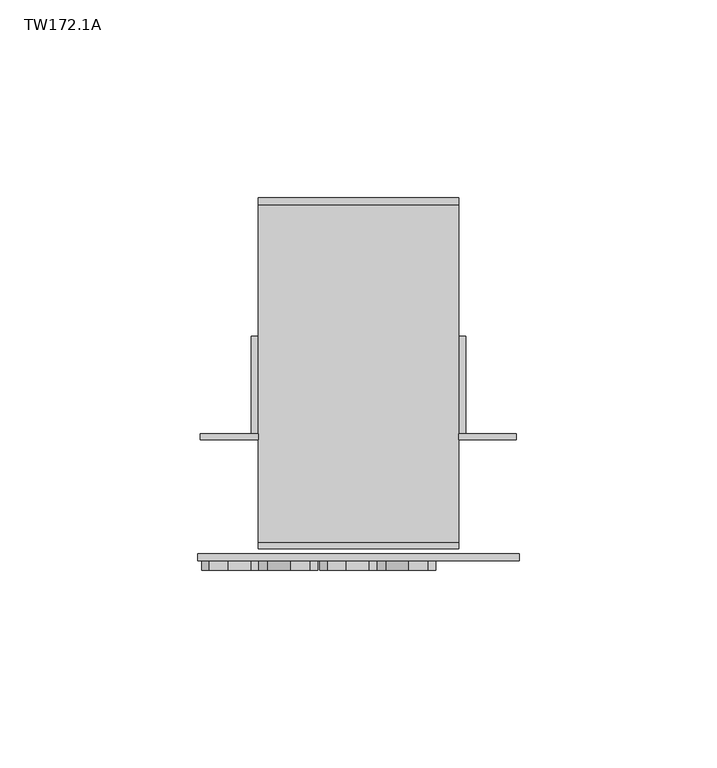
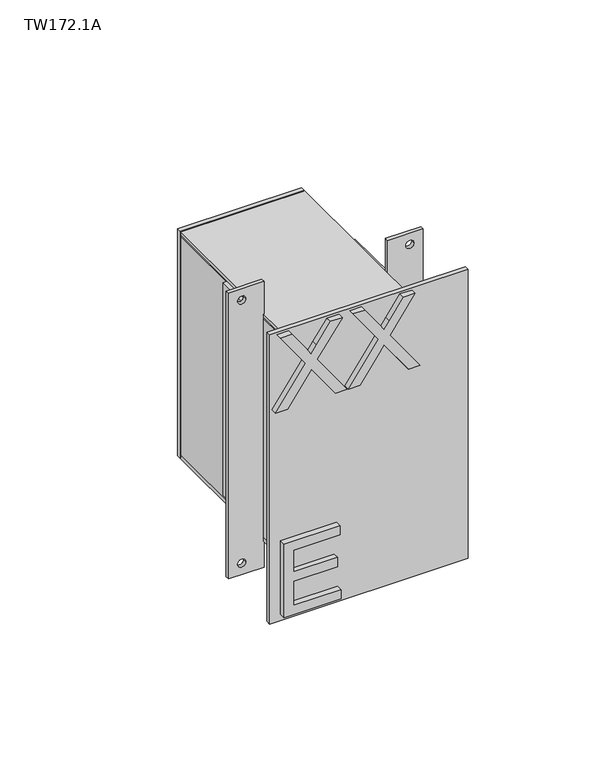
"""IFC4 building model written with IfcOpenShell, lengths in millimetres: furniture geometry, TW172.1A."""

import ifcopenshell
import ifcopenshell.guid

model = None  # the IFC model being written
_history = None  # IfcOwnerHistory: only IFC2X3 demands one
_inside = {}  # id of a spatial element -> (the spatial element, [elements in it])
_under = {}  # id of a project, library or spatial element -> (it, [spatial elements below it])
_declared = {}  # id of a project -> (the project, [libraries it declares])
_typed = {}  # id of a type object -> (the type object, [elements of that type])
_made_of = {}  # id of a material, layer set ... -> (it, [elements and type objects made of it])


def new_model(schema):
    """Start an empty IFC model of exactly this schema.

    Asked for "IFC4X3", IfcOpenShell would pick the latest addendum, in which some entities
    have other attributes; the version numbers below select the first issue.
    IFC2X3 requires an IfcOwnerHistory on every rooted entity: one is made here for all.
    """
    global model, _history
    if schema == "IFC4X3":
        model = ifcopenshell.file(schema_version=(4, 3, 0, 0))
    else:
        model = ifcopenshell.file(schema=schema)
    _inside.clear()
    _under.clear()
    _declared.clear()
    _typed.clear()
    _made_of.clear()
    _history = None
    if model.schema == "IFC2X3":
        org = make("IfcOrganization", Name="unknown")
        user = make(
            "IfcPersonAndOrganization",
            ThePerson=make("IfcPerson", FamilyName="unknown"),
            TheOrganization=org,
        )
        app = make(
            "IfcApplication",
            ApplicationDeveloper=org,
            Version="unknown",
            ApplicationFullName="unknown",
            ApplicationIdentifier="unknown",
        )
        _history = make(
            "IfcOwnerHistory",
            OwningUser=user,
            OwningApplication=app,
            ChangeAction="ADDED",
            CreationDate=0,
        )
    return model


def make(cls, **values):
    """One entity of the class cls with the attributes given. An attribute that is None is left unset."""
    return model.create_entity(
        cls, **{name: value for name, value in values.items() if value is not None}
    )


def rooted(cls, **values):
    """An entity with a GlobalId (a new one), such as an element, a storey or a relation."""
    return make(cls, GlobalId=ifcopenshell.guid.new(), OwnerHistory=_history, **values)


def si_unit(unit_type, name, prefix=None):
    """IfcSIUnit, for example si_unit("LENGTHUNIT", "METRE", prefix="MILLI")."""
    return make("IfcSIUnit", UnitType=unit_type, Prefix=prefix, Name=name)


def assignment(units):
    """IfcUnitAssignment: the units of a project."""
    return None if units is None else make("IfcUnitAssignment", Units=units)


def point(xyz):
    """IfcCartesianPoint."""
    return None if xyz is None else make("IfcCartesianPoint", Coordinates=xyz)


def direction(xyz):
    """IfcDirection."""
    return None if xyz is None else make("IfcDirection", DirectionRatios=xyz)


def frame(location, z_axis=None, x_axis=None):
    """IfcAxis2Placement3D, a coordinate frame: its origin and axes. An axis left out is left unset."""
    return make(
        "IfcAxis2Placement3D",
        Location=point(location),
        Axis=direction(z_axis),
        RefDirection=direction(x_axis),
    )


def frame_2d(location, x_axis=None):
    """IfcAxis2Placement2D, a coordinate frame in the plane: its origin and x axis."""
    return make(
        "IfcAxis2Placement2D", Location=point(location), RefDirection=direction(x_axis)
    )


def origin():
    """The frame at (0, 0, 0) with its axes left unset."""
    return frame((0.0, 0.0, 0.0))


def place(relative_to, where):
    """IfcLocalPlacement: puts the frame where relative to a parent placement (None: the world)."""
    return make(
        "IfcLocalPlacement", PlacementRelTo=relative_to, RelativePlacement=where
    )


def context(
    kind, dimensions, precision=None, world=None, true_north=None, identifier=None
):
    """IfcGeometricRepresentationContext, for example the 3D "Model" context."""
    return make(
        "IfcGeometricRepresentationContext",
        ContextIdentifier=identifier,
        ContextType=kind,
        CoordinateSpaceDimension=dimensions,
        Precision=precision,
        WorldCoordinateSystem=world,
        TrueNorth=true_north,
    )


def project(units=None, contexts=None):
    """IfcProject with its units and contexts."""
    return rooted(
        "IfcProject",
        Name="project",
        RepresentationContexts=contexts,
        UnitsInContext=assignment(units),
    )


def spatial(cls, under=None, at=None, **own):
    """A site, building, storey or space (cls), placed at a placement, below another one or the project."""
    s = rooted(cls, ObjectPlacement=at, **own)
    if under is not None:
        _under.setdefault(under.id(), (under, []))[1].append(s)
    return s


def polyline(points):
    """IfcPolyline through the points."""
    return make("IfcPolyline", Points=[point(p) for p in points])


def circle_curve(where, radius):
    """IfcCircle in the frame where."""
    return make("IfcCircle", Position=where, Radius=radius)


def trimmed(basis, trim1, trim2, sense, master):
    """IfcTrimmedCurve: the piece of a basis curve between two trims."""
    return make(
        "IfcTrimmedCurve",
        BasisCurve=basis,
        Trim1=trim1,
        Trim2=trim2,
        SenseAgreement=sense,
        MasterRepresentation=master,
    )


def segment(curve, same_sense, transition):
    """IfcCompositeCurveSegment."""
    return make(
        "IfcCompositeCurveSegment",
        Transition=transition,
        SameSense=same_sense,
        ParentCurve=curve,
    )


def composite_curve(segments, self_intersect=None):
    """IfcCompositeCurve: segments joined end to end."""
    return make("IfcCompositeCurve", Segments=segments, SelfIntersect=self_intersect)


def outline(outer, holes=None, kind="AREA"):
    """IfcArbitraryClosedProfileDef: a profile drawn as a closed curve; with holes, ...WithVoids."""
    if holes is None:
        return make("IfcArbitraryClosedProfileDef", ProfileType=kind, OuterCurve=outer)
    return make(
        "IfcArbitraryProfileDefWithVoids",
        ProfileType=kind,
        OuterCurve=outer,
        InnerCurves=holes,
    )


def extrude(swept, where, along, depth):
    """IfcExtrudedAreaSolid: the profile swept, set in the frame where, extruded along a direction by depth."""
    return make(
        "IfcExtrudedAreaSolid",
        SweptArea=swept,
        Position=where,
        ExtrudedDirection=direction(along),
        Depth=depth,
    )


def shape(context_of_items, identifier, shape_type, items):
    """IfcShapeRepresentation: the items that make up one representation, for example the "Body"."""
    return make(
        "IfcShapeRepresentation",
        ContextOfItems=context_of_items,
        RepresentationIdentifier=identifier,
        RepresentationType=shape_type,
        Items=items,
    )


def source(mapping_origin, context_of_items, identifier, shape_type, items):
    """IfcRepresentationMap: a shape defined once, which mapped items show again and again."""
    return make(
        "IfcRepresentationMap",
        MappingOrigin=mapping_origin,
        MappedRepresentation=shape(context_of_items, identifier, shape_type, items),
    )


def transform(
    local_origin,
    x_axis=None,
    y_axis=None,
    z_axis=None,
    scale=None,
    scale2=None,
    scale3=None,
    uniform=True,
):
    """IfcCartesianTransformationOperator3D, or its non-uniform kind. x_axis, y_axis, z_axis: its Axis1, 2, 3."""
    if uniform:
        return make(
            "IfcCartesianTransformationOperator3D",
            Axis1=direction(x_axis),
            Axis2=direction(y_axis),
            LocalOrigin=point(local_origin),
            Scale=scale,
            Axis3=direction(z_axis),
        )
    return make(
        "IfcCartesianTransformationOperator3DnonUniform",
        Axis1=direction(x_axis),
        Axis2=direction(y_axis),
        LocalOrigin=point(local_origin),
        Scale=scale,
        Axis3=direction(z_axis),
        Scale2=scale2,
        Scale3=scale3,
    )


def mapped(mapping_source, mapping_target):
    """IfcMappedItem: shows the shape of a source again, moved by a transform."""
    return make(
        "IfcMappedItem", MappingSource=mapping_source, MappingTarget=mapping_target
    )


def made_of(thing, what):
    """Note that an element or type object is made of a material, layer set ...; save() writes the relation."""
    if what is not None:
        _made_of.setdefault(what.id(), (what, []))[1].append(thing)
    return thing


def element(
    cls,
    number,
    at=None,
    inside=None,
    cuts=None,
    type_object=None,
    material=None,
    context=None,
    identifier="Body",
    shape_type=None,
    held_by="IfcProductDefinitionShape",
    body=None,
    shapes=None,
    **own,
):
    """One element of the class cls, such as IfcWall. Its Tag is "e" and its number.

    at: its placement. inside: the storey or other place that contains it. cuts: it is an
    opening in that element (IfcRelVoidsElement). A single representation is given by context,
    identifier, shape_type and body (its items); several are given by shapes. held_by: the class
    of the entity that holds the representations. save() writes the other relations.
    """
    e = rooted(cls, Tag="e%d" % number, ObjectPlacement=at, **own)
    if body is not None:
        shapes = [shape(context, identifier, shape_type, body)]
    if shapes is not None:
        e.Representation = make(held_by, Representations=shapes)
    if inside is not None:
        _inside.setdefault(inside.id(), (inside, []))[1].append(e)
    if cuts is not None:
        rooted(
            "IfcRelVoidsElement", RelatingBuildingElement=cuts, RelatedOpeningElement=e
        )
    if type_object is not None:
        _typed.setdefault(type_object.id(), (type_object, []))[1].append(e)
    return made_of(e, material)


def aggregate(whole, parts):
    """IfcRelAggregates: a whole, such as a stair, and the parts it consists of."""
    return rooted("IfcRelAggregates", RelatingObject=whole, RelatedObjects=parts)


def save(model, path):
    """Write the relations noted so far, then the file.

    IfcRelAggregates (storeys below a building ...), IfcRelContainedInSpatialStructure (elements
    in a storey), IfcRelDefinesByType, IfcRelAssociatesMaterial and IfcRelDeclares: one each for
    every whole, place, type object, material and project.
    """
    for whole, parts in _under.values():
        aggregate(whole, parts)
    for where, things in _inside.values():
        rooted(
            "IfcRelContainedInSpatialStructure",
            RelatedElements=things,
            RelatingStructure=where,
        )
    for kind, things in _typed.values():
        rooted("IfcRelDefinesByType", RelatedObjects=things, RelatingType=kind)
    for what, things in _made_of.values():
        rooted("IfcRelAssociatesMaterial", RelatedObjects=things, RelatingMaterial=what)
    for by, libraries in _declared.values():
        rooted("IfcRelDeclares", RelatingContext=by, RelatedDefinitions=libraries)
    model.write(path)


def tw172_1a_3f0a4fe5(model_context):
    return source(origin(), model_context, "Body", "SweptSolid", [
        extrude(outline(polyline([(1964.662524, -17.4987383), (1964.662524, 5.924063), (1968.6493838, 5.924063), (1968.6493838, -13.5118785), (1979.1148908, -13.5118785), (1979.1148908, 4.4289906), (1983.1017507, 4.4289906), (1983.1017507, -13.5118785), (1992.5705427, -13.5118785), (1992.5705427, 5.4257056), (1996.5574025, 5.4257056), (1996.5574025, -17.4987383), (1964.662524, -17.4987383)])), frame((0.0, -30.559375, 0.0), z_axis=(0.0, 1.0, 0.0), x_axis=(0.0, 0.0, 1.0)), (0.0, 0.0, 1.0), 2.38125),
        extrude(outline(polyline([(2054.6248799, -20.9872407), (2054.6248799, -16.1360421), (2065.9469388, -8.138962), (2068.5788892, -6.2623346), (2066.1805438, -4.5570176), (2054.6248799, 3.6347334), (2054.6248799, 8.4158504), (2071.9583758, -3.8795629), (2086.5197583, 6.4224205), (2086.5197583, 1.571222), (2078.4058757, -4.1676759), (2075.1665521, -6.4570055), (2078.3513678, -8.4115012), (2086.5197583, -14.2126937), (2086.5197583, -18.9938108), (2072.0050968, -8.6918273), (2054.6248799, -20.9872407)])), frame((0.0, -30.559375, 0.0), z_axis=(0.0, 1.0, 0.0), x_axis=(0.0, 0.0, 1.0)), (0.0, 0.0, 1.0), 2.38125),
        extrude(outline(polyline([(2054.6248799, 8.9142079), (2054.6248799, 13.7654064), (2065.9469388, 21.7624866), (2068.5788892, 23.6391139), (2066.1805438, 25.3444309), (2054.6248799, 33.5361819), (2054.6248799, 38.317299), (2071.9583758, 26.0218856), (2086.5197583, 36.3238691), (2086.5197583, 31.4726705), (2078.4058757, 25.7337727), (2075.1665521, 23.4444431), (2078.3513678, 21.4899473), (2086.5197583, 15.6887548), (2086.5197583, 10.9076378), (2072.0050968, 21.2096212), (2054.6248799, 8.9142079)])), frame((0.0, -30.559375, 0.0), z_axis=(0.0, 1.0, 0.0), x_axis=(0.0, 0.0, 1.0)), (0.0, 0.0, 1.0), 2.38125),
        extrude(outline(polyline([(44.1377049, -25.1023438), (-6.6622951, -25.1023438), (-6.6622951, -23.5148437), (44.1377049, -23.5148437), (44.1377049, -25.1023438)])), frame((0.0, 0.0, 2059.6225), z_axis=(0.0, 0.0, 1.0), x_axis=(1.0, 0.0, 0.0)), (0.0, 0.0, 1.0), 12.7),
        extrude(outline(polyline([(44.1377049, -25.1023438), (-6.6622951, -25.1023438), (-6.6622951, -23.5148437), (44.1377049, -23.5148437), (44.1377049, -25.1023438)])), frame((0.0, 0.0, 1973.8975), z_axis=(0.0, 0.0, 1.0), x_axis=(1.0, 0.0, 0.0)), (0.0, 0.0, 1.0), 12.7),
        extrude(outline(polyline([(44.1377049, 63.7976562), (44.1377049, 62.0117187), (-6.6622951, 62.0117187), (-6.6622951, 63.7976562), (44.1377049, 63.7976562)])), frame((0.0, 0.0, 1973.8975), z_axis=(0.0, 0.0, 1.0), x_axis=(1.0, 0.0, 0.0)), (0.0, 0.0, 1.0), 98.425),
        extrude(outline(polyline([(-4.8763576, -23.5148437), (-6.6622951, -23.5148437), (-6.6622951, 62.0117188), (-4.8763576, 62.0117187), (-4.8763576, -23.5148437)])), frame((0.0, 0.0, 1975.6834375), z_axis=(0.0, 0.0, 1.0), x_axis=(1.0, 0.0, 0.0)), (0.0, 0.0, 1.0), 94.853125),
        extrude(outline(polyline([(44.1377049, -23.5148437), (42.3517674, -23.5148437), (42.3517674, 62.0117187), (44.1377049, 62.0117187), (44.1377049, -23.5148437)])), frame((0.0, 0.0, 1975.6834375), z_axis=(0.0, 0.0, 1.0), x_axis=(1.0, 0.0, 0.0)), (0.0, 0.0, 1.0), 94.853125),
        extrude(outline(polyline([(44.1377049, -23.5148437), (-6.6622951, -23.5148437), (-6.6622951, 62.0117188), (44.1377049, 62.0117187), (44.1377049, -23.5148437)])), frame((0.0, 0.0, 2070.5365625), z_axis=(0.0, 0.0, 1.0), x_axis=(1.0, 0.0, 0.0)), (0.0, 0.0, 1.0), 1.7859375),
        extrude(outline(polyline([(44.1377049, -23.5148437), (-6.6622951, -23.5148437), (-6.6622951, 62.0117188), (44.1377049, 62.0117187), (44.1377049, -23.5148437)])), frame((0.0, 0.0, 1973.8975), z_axis=(0.0, 0.0, 1.0), x_axis=(1.0, 0.0, 0.0)), (0.0, 0.0, 1.0), 1.7859375),
        extrude(outline(polyline([(-6.6622951, 28.6742188), (-6.6622951, 4.0679688), (-8.4482326, 4.0679688), (-8.4482326, 28.6742188), (-6.6622951, 28.6742188)])), frame((0.0, 0.0, 1978.66), z_axis=(0.0, 0.0, 1.0), x_axis=(1.0, 0.0, 0.0)), (0.0, 0.0, 1.0), 92.1742187),
        extrude(outline(polyline([(45.9236424, 28.6742188), (45.9236424, 4.0679688), (44.1377049, 4.0679688), (44.1377049, 28.6742188), (45.9236424, 28.6742188)])), frame((0.0, 0.0, 1978.66), z_axis=(0.0, 0.0, 1.0), x_axis=(1.0, 0.0, 0.0)), (0.0, 0.0, 1.0), 92.1742187),
        extrude(outline(polyline([(2086.7092187, -6.6622951), (2086.7092187, -21.2474513), (1962.785, -21.2474513), (1962.785, -6.6622951), (2086.7092187, -6.6622951)]), holes=[composite_curve([segment(trimmed(circle_curve(frame_2d((2081.8475, -15.7904201)), 1.6867188), [point((2081.8475, -17.4771388))], [point((2081.8475, -14.1037013))], True, "CARTESIAN"), True, "CONTINUOUS"), segment(trimmed(circle_curve(frame_2d((2081.8475, -15.7904201)), 1.6867188), [point((2081.8475, -14.1037013))], [point((2081.8475, -17.4771388))], True, "CARTESIAN"), True, "CONTINUOUS")], self_intersect=False), composite_curve([segment(trimmed(circle_curve(frame_2d((1967.6467188, -15.7904201)), 1.6867188), [point((1967.6467188, -17.4771388))], [point((1967.6467188, -14.1037013))], True, "CARTESIAN"), True, "CONTINUOUS"), segment(trimmed(circle_curve(frame_2d((1967.6467188, -15.7904201)), 1.6867188), [point((1967.6467188, -14.1037013))], [point((1967.6467188, -17.4771388))], True, "CARTESIAN"), True, "CONTINUOUS")], self_intersect=False)]), frame((0.0, 2.4804688, 0.0), z_axis=(0.0, 1.0, 0.0), x_axis=(0.0, 0.0, 1.0)), (0.0, 0.0, 1.0), 1.5875),
        extrude(outline(polyline([(2086.7092187, 58.7228612), (2086.7092187, 44.1377049), (1962.785, 44.1377049), (1962.785, 58.7228612), (2086.7092187, 58.7228612)]), holes=[composite_curve([segment(trimmed(circle_curve(frame_2d((2081.8475, 53.2658299)), 1.6867188), [point((2081.8475, 51.5791112))], [point((2081.8475, 54.9525487))], True, "CARTESIAN"), True, "CONTINUOUS"), segment(trimmed(circle_curve(frame_2d((2081.8475, 53.2658299)), 1.6867188), [point((2081.8475, 54.9525487))], [point((2081.8475, 51.5791112))], True, "CARTESIAN"), True, "CONTINUOUS")], self_intersect=False), composite_curve([segment(trimmed(circle_curve(frame_2d((1967.6467188, 53.2658299)), 1.6867188), [point((1967.6467188, 51.5791112))], [point((1967.6467188, 54.9525487))], True, "CARTESIAN"), True, "CONTINUOUS"), segment(trimmed(circle_curve(frame_2d((1967.6467188, 53.2658299)), 1.6867188), [point((1967.6467188, 54.9525487))], [point((1967.6467188, 51.5791112))], True, "CARTESIAN"), True, "CONTINUOUS")], self_intersect=False)]), frame((0.0, 2.4804688, 0.0), z_axis=(0.0, 1.0, 0.0), x_axis=(0.0, 0.0, 1.0)), (0.0, 0.0, 1.0), 1.5875),
        extrude(outline(polyline([(59.4670018, -28.178125), (-21.991592, -28.178125), (-21.991592, -26.2929687), (59.4670018, -26.2929687), (59.4670018, -28.178125)])), frame((0.0, 0.0, 1961.99125), z_axis=(0.0, 0.0, 1.0), x_axis=(1.0, 0.0, 0.0)), (0.0, 0.0, 1.0), 125.5117188),
    ])


if __name__ == "__main__":
    model = new_model("IFC4")
    model_context = context("Model", 3, world=origin())
    ifc_project = project(units=[si_unit("LENGTHUNIT", "METRE", prefix="MILLI")], contexts=[model_context])
    site = spatial("IfcSite", under=ifc_project)
    building = spatial("IfcBuilding", under=site)
    placement = place(None, origin())
    tw172_1a_shape = tw172_1a_3f0a4fe5(model_context)
    element("IfcFurniture", 1, ObjectType="TW172.1A", at=placement, inside=building, context=model_context, shape_type="MappedRepresentation", body=[
        mapped(tw172_1a_shape, transform((0.0, 0.0, 0.0), x_axis=(1.0, 0.0, 0.0), y_axis=(0.0, 1.0, 0.0), z_axis=(0.0, 0.0, 1.0))),
    ])
    save(model, "model.ifc")
